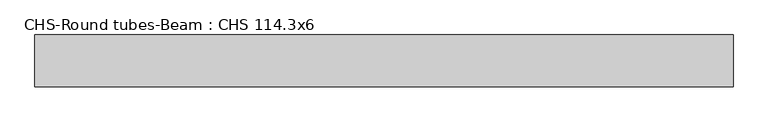
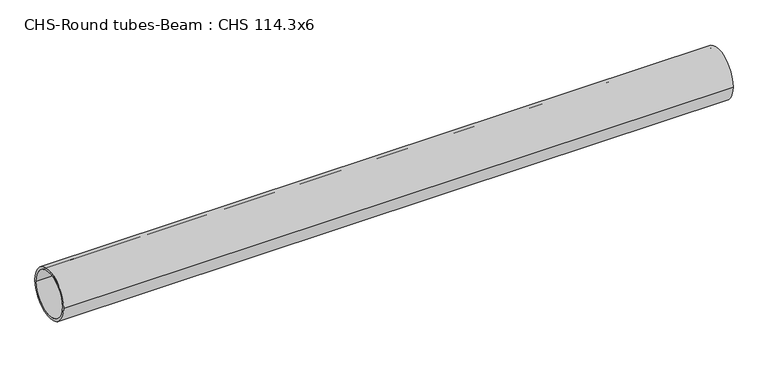
"""IFC4 building model written with IfcOpenShell, lengths in millimetres: beam geometry, CHS-Round tubes-Beam : CHS 114.3x6."""

from ifc_helpers import new_model, si_unit, point, frame, origin, origin_2d, place, context, project, spatial, circle_curve, trimmed, segment, composite_curve, outline, extrude, source, transform, mapped, element, save


def chs_round_tubes_beam_chs_114_3x6_11f07baf(model_context):
    return source(origin(), model_context, "Body", "SweptSolid", [
        extrude(outline(composite_curve([segment(trimmed(circle_curve(origin_2d(), 57.15), [point((57.15, 0.0))], [point((-57.15, 0.0))], False, "CARTESIAN"), True, "CONTINUOUS"), segment(trimmed(circle_curve(origin_2d(), 57.15), [point((-57.15, 0.0))], [point((57.15, 0.0))], False, "CARTESIAN"), True, "CONTINUOUS")], self_intersect=False), holes=[composite_curve([segment(trimmed(circle_curve(origin_2d(), 51.15), [point((51.15, 0.0))], [point((-51.15, 0.0))], True, "CARTESIAN"), True, "CONTINUOUS"), segment(trimmed(circle_curve(origin_2d(), 51.15), [point((-51.15, 0.0))], [point((51.15, 0.0))], True, "CARTESIAN"), True, "CONTINUOUS")], self_intersect=False)]), frame((-759.2852916, 0.0, 0.0), z_axis=(1.0, 0.0, 0.0), x_axis=(0.0, 1.0, 0.0)), (0.0, 0.0, 1.0), 1534.1124582),
    ])


if __name__ == "__main__":
    model = new_model("IFC4")
    model_context = context("Model", 3, world=origin())
    ifc_project = project(units=[si_unit("LENGTHUNIT", "METRE", prefix="MILLI")], contexts=[model_context])
    site = spatial("IfcSite", under=ifc_project)
    building = spatial("IfcBuilding", under=site)
    placement = place(None, origin())
    chs_round_tubes_beam_chs_114_3x6_shape = chs_round_tubes_beam_chs_114_3x6_11f07baf(model_context)
    element("IfcBeam", 1, ObjectType="CHS-Round tubes-Beam : CHS 114.3x6", at=placement, inside=building, context=model_context, shape_type="MappedRepresentation", body=[
        mapped(chs_round_tubes_beam_chs_114_3x6_shape, transform((0.0, 0.0, 0.0), x_axis=(1.0, 0.0, 0.0), y_axis=(0.0, 1.0, 0.0), z_axis=(0.0, 0.0, 1.0))),
    ])
    save(model, "model.ifc")
